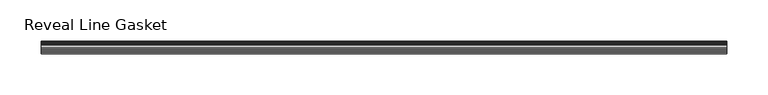
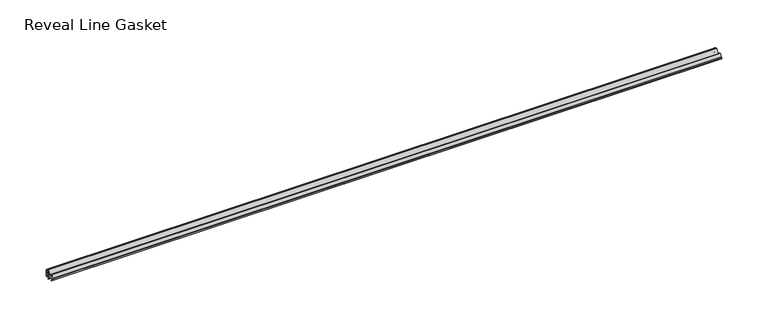
"""IFC4 building model written with IfcOpenShell, lengths in millimetres: furniture geometry, Reveal Line Gasket."""

from ifc_helpers import new_model, si_unit, point, frame, frame_2d, origin, place, context, project, spatial, polyline, circle_curve, trimmed, segment, composite_curve, outline, extrude, source, transform, mapped, element, save


def reveal_line_gasket_ff10c470(model_context):
    return source(origin(), model_context, "Body", "SweptSolid", [
        extrude(outline(composite_curve([segment(polyline([(7.6326998, 1603.2), (7.6326998, 1597.2), (7.4091917, 1596.2445073), (6.8813059, 1595.3115316)]), True, "CONTINUOUS"), segment(trimmed(circle_curve(frame_2d((6.5243141, 1595.5135207)), 0.4101739), [point((6.8813059, 1595.3115316))], [point((6.1246704, 1595.6058653))], False, "CARTESIAN"), True, "CONTINUOUS"), segment(polyline([(6.1246704, 1595.6058653), (6.3626997, 1597.3020914), (6.3626997, 1599.3345473)]), True, "CONTINUOUS"), segment(trimmed(circle_curve(frame_2d((5.6959605, 1598.9180742)), 0.786124), [point((6.3626997, 1599.3345473))], [point((5.0926996, 1599.422125))], True, "CARTESIAN"), True, "CONTINUOUS"), segment(polyline([(5.0926996, 1599.422125), (0.7492996, 1599.422125), (3.7293824, 1594.2604705)]), True, "CONTINUOUS"), segment(trimmed(circle_curve(frame_2d((3.3132479, 1594.1950239)), 0.4212495), [point((3.7293824, 1594.2604705))], [point((3.0485022, 1593.8673642))], False, "CARTESIAN"), True, "CONTINUOUS"), segment(polyline([(3.0485022, 1593.8673642), (-0.5742594, 1599.422125), (-4.8262978, 1599.422125), (-3.1660374, 1596.5464703)]), True, "CONTINUOUS"), segment(trimmed(circle_curve(frame_2d((-3.5978728, 1596.4881145)), 0.4357605), [point((-3.1660374, 1596.5464703))], [point((-3.864328, 1596.1433119))], False, "CARTESIAN"), True, "CONTINUOUS"), segment(polyline([(-3.864328, 1596.1433119), (-6.1944059, 1599.422125), (-7.6326998, 1599.422125), (-7.6326998, 1600.977875), (-6.1944059, 1600.977875), (-3.864328, 1604.2566881)]), True, "CONTINUOUS"), segment(trimmed(circle_curve(frame_2d((-3.5978728, 1603.9118855)), 0.4357605), [point((-3.864328, 1604.2566881))], [point((-3.1660374, 1603.8535297))], False, "CARTESIAN"), True, "CONTINUOUS"), segment(polyline([(-3.1660374, 1603.8535297), (-4.8262978, 1600.977875), (-0.5742594, 1600.977875), (3.0485022, 1606.5326358)]), True, "CONTINUOUS"), segment(trimmed(circle_curve(frame_2d((3.3132479, 1606.2049761)), 0.4212495), [point((3.0485022, 1606.5326358))], [point((3.7293824, 1606.1395295))], False, "CARTESIAN"), True, "CONTINUOUS"), segment(polyline([(3.7293824, 1606.1395295), (0.7492996, 1600.977875), (5.0926996, 1600.977875)]), True, "CONTINUOUS"), segment(trimmed(circle_curve(frame_2d((5.6959605, 1601.4819258)), 0.786124), [point((5.0926996, 1600.977875))], [point((6.3626997, 1601.0654527))], True, "CARTESIAN"), True, "CONTINUOUS"), segment(polyline([(6.3626997, 1601.0654527), (6.3626997, 1603.0979086), (6.1246704, 1604.7941347)]), True, "CONTINUOUS"), segment(trimmed(circle_curve(frame_2d((6.5243141, 1604.8864793)), 0.4101739), [point((6.1246704, 1604.7941347))], [point((6.8813059, 1605.0884684))], False, "CARTESIAN"), True, "CONTINUOUS"), segment(polyline([(6.8813059, 1605.0884684), (7.4091917, 1604.1554927), (7.6326998, 1603.2)]), True, "CONTINUOUS")], self_intersect=False)), frame((-417.2204, 0.0, 0.0), z_axis=(1.0, 0.0, 0.0), x_axis=(0.0, 1.0, 0.0)), (0.0, 0.0, 1.0), 834.4408),
    ])


if __name__ == "__main__":
    model = new_model("IFC4")
    model_context = context("Model", 3, world=origin())
    ifc_project = project(units=[si_unit("LENGTHUNIT", "METRE", prefix="MILLI")], contexts=[model_context])
    site = spatial("IfcSite", under=ifc_project)
    building = spatial("IfcBuilding", under=site)
    placement = place(None, origin())
    reveal_line_gasket_shape = reveal_line_gasket_ff10c470(model_context)
    element("IfcFurniture", 1, ObjectType="Reveal Line Gasket", at=placement, inside=building, context=model_context, shape_type="MappedRepresentation", body=[
        mapped(reveal_line_gasket_shape, transform((0.0, 0.0, 0.0), x_axis=(1.0, 0.0, 0.0), y_axis=(0.0, 1.0, 0.0), z_axis=(0.0, 0.0, 1.0))),
    ])
    save(model, "model.ifc")
